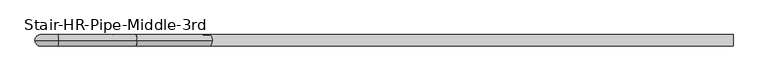
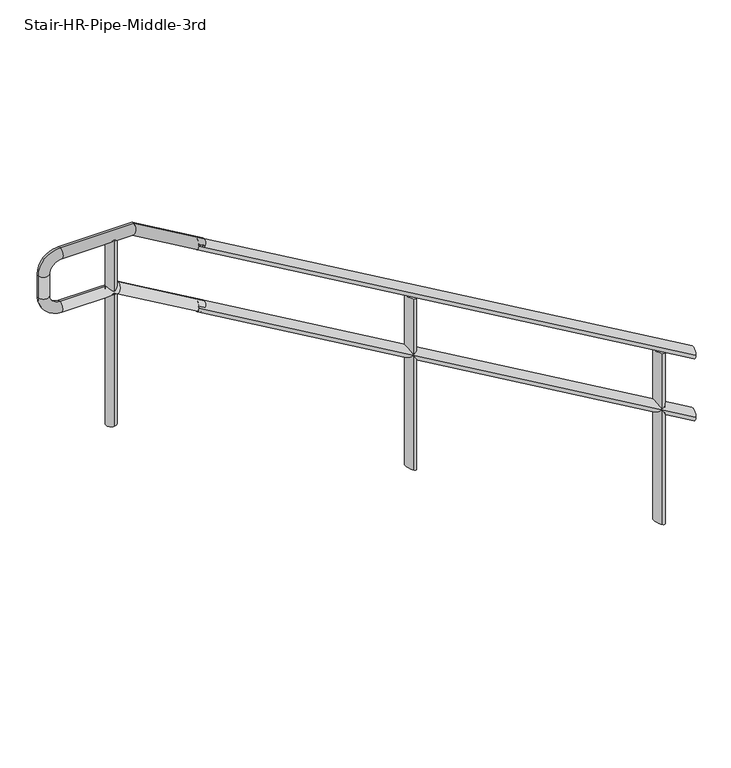
"""IFC4 building model written with IfcOpenShell, lengths in millimetres: railing geometry, Stair-HR-Pipe-Middle-3rd."""

from ifc_helpers import new_model, si_unit, point, frame, frame_2d, origin, place, context, project, spatial, circle_curve, ellipse_curve, trimmed, segment, composite_curve, outline, extrude, source, transform, mapped, element, save
from ifc_brep_helpers import plane_surface, cylinder_surface, revolved_surface, advanced_brep


def stair_hr_pipe_middle_3rd_5bcc30c3(model_context):
    return source(origin(), model_context, "Body", "SolidModel", [
        advanced_brep(
        [(22536.6873038, -27960.7186232, 3690.6659726), (22536.6873038, -28008.9389357, 3690.6659726), (20301.4873038, -27960.7186232, 4991.1459726), (20301.4873038, -28008.9389357, 4991.1459726)],
        [
            (0, 1, ellipse_curve(frame((22536.6873038, -27984.8287794, 3690.6659726), z_axis=(1.0, 0.0, 0.0), x_axis=(0.0, 0.0, -1.0)), 27.8940274, 24.1101562)),
            (1, 0, ellipse_curve(frame((22536.6873038, -27984.8287794, 3690.6659726), z_axis=(1.0, 0.0, 0.0), x_axis=(0.0, 0.0, -1.0)), 27.8940274, 24.1101562)),
            (2, 3, ellipse_curve(frame((20301.4873038, -27984.8287794, 4991.1459726), z_axis=(-1.0, 0.0, 0.0), x_axis=(0.0, 0.0, -1.0)), 27.8940274, 24.1101562)),
            (3, 2, ellipse_curve(frame((20301.4873038, -27984.8287794, 4991.1459726), z_axis=(-1.0, 0.0, 0.0), x_axis=(0.0, 0.0, -1.0)), 27.8940274, 24.1101562)),
            (0, 2),
            (3, 1),
        ],
        [
            plane_surface(frame((22536.6873038, -27984.8287794, 3718.56), z_axis=(1.0, 0.0, 0.0), x_axis=(0.0, -1.0, 0.0))),
            plane_surface(frame((20301.4873038, -27984.8287794, 5019.04), z_axis=(-1.0, 0.0, 0.0), x_axis=(0.0, -1.0, 0.0))),
            cylinder_surface(frame((22524.562461, -27984.8287794, 3697.7204265), z_axis=(0.8643483377093365, 0.0, -0.5028935783037072), x_axis=(0.0, -1.0, 0.0)), 24.1101562),
        ],
        [
            (0, [[1, 2]]),
            (1, [[3, 4]]),
            (2, [[-1, 5, -4, 6]]),
            (2, [[-2, -6, -3, -5]]),
        ],
    ),
        advanced_brep(
        [(22536.6873038, -27960.7186232, 3396.9784726), (22536.6873038, -28008.9389357, 3396.9784726), (20301.4873038, -27960.7186232, 4697.4584726), (20301.4873038, -28008.9389357, 4697.4584726)],
        [
            (0, 1, ellipse_curve(frame((22536.6873038, -27984.8287794, 3396.9784726), z_axis=(1.0, 0.0, 0.0), x_axis=(0.0, 0.0, -1.0)), 27.8940274, 24.1101562)),
            (1, 0, ellipse_curve(frame((22536.6873038, -27984.8287794, 3396.9784726), z_axis=(1.0, 0.0, 0.0), x_axis=(0.0, 0.0, -1.0)), 27.8940274, 24.1101562)),
            (2, 3, ellipse_curve(frame((20301.4873038, -27984.8287794, 4697.4584726), z_axis=(-1.0, 0.0, 0.0), x_axis=(0.0, 0.0, -1.0)), 27.8940274, 24.1101562)),
            (3, 2, ellipse_curve(frame((20301.4873038, -27984.8287794, 4697.4584726), z_axis=(-1.0, 0.0, 0.0), x_axis=(0.0, 0.0, -1.0)), 27.8940274, 24.1101562)),
            (0, 2),
            (3, 1),
        ],
        [
            plane_surface(frame((22536.6873038, -27984.8287794, 3424.8725), z_axis=(1.0, 0.0, 0.0), x_axis=(0.0, -1.0, 0.0))),
            plane_surface(frame((20301.4873038, -27984.8287794, 4725.3525), z_axis=(-1.0, 0.0, 0.0), x_axis=(0.0, -1.0, 0.0))),
            cylinder_surface(frame((22524.562461, -27984.8287794, 3404.0329265), z_axis=(0.8643483377093365, 0.0, -0.5028935783037072), x_axis=(0.0, -1.0, 0.0)), 24.1101562),
        ],
        [
            (0, [[1, 2]]),
            (1, [[3, 4]]),
            (2, [[-1, 5, -4, 6]]),
            (2, [[-2, -6, -3, -5]]),
        ],
    ),
        advanced_brep(
        [(21266.6873038, -28008.9389357, 4401.681036), (21266.6873038, -27960.7186232, 4401.681036), (21266.6873038, -27960.7186232, 3590.4062185), (21266.6873038, -28008.9389357, 3590.4062185)],
        [
            (0, 1, ellipse_curve(frame((21266.6873038, -27984.8287794, 4401.681036), z_axis=(-0.5028935783037056, 0.0, -0.8643483377093375), x_axis=(-0.8643483377093377, 0.0, 0.5028935783037053)), 27.8940274, 24.1101562)),
            (1, 2),
            (2, 3, ellipse_curve(frame((21266.6873038, -27984.8287794, 3590.4062185), z_axis=(0.5028935783037071, 0.0, 0.8643483377093365), x_axis=(-0.8643483377093364, 0.0, 0.5028935783037071)), 27.8940274, 24.1101562)),
            (3, 0),
            (3, 2, ellipse_curve(frame((21266.6873038, -27984.8287794, 3590.4062185), z_axis=(0.5028935783037071, 0.0, 0.8643483377093365), x_axis=(-0.8643483377093364, 0.0, 0.5028935783037071)), 27.8940274, 24.1101562)),
            (1, 0, ellipse_curve(frame((21266.6873038, -27984.8287794, 4401.681036), z_axis=(-0.5028935783037056, 0.0, -0.8643483377093375), x_axis=(-0.8643483377093377, 0.0, 0.5028935783037053)), 27.8940274, 24.1101562)),
        ],
        [
            cylinder_surface(frame((21266.6873038, -27984.8287794, 3361.8062185), z_axis=(0.0, 0.0, 1.0), x_axis=(0.0, 1.0, 0.0)), 24.1101562),
            plane_surface(frame((21218.4669913, -27936.6084669, 4429.7364906), z_axis=(0.5028935783037056, 0.0, 0.8643483377093375), x_axis=(0.0, -1.0, 0.0))),
            plane_surface(frame((21314.9076163, -27936.6084669, 3562.350764), z_axis=(-0.5028935783037071, 0.0, -0.8643483377093365), x_axis=(0.0, -1.0, 0.0))),
        ],
        [
            (0, [[1, 2, 3, 4]]),
            (0, [[5, -2, 6, -4]]),
            (1, [[-6, -1]]),
            (2, [[-5, -3]]),
        ],
    ),
        advanced_brep(
        [(22384.2873038, -28008.9389357, 3751.441036), (22384.2873038, -27960.7186232, 3751.441036), (22384.2873038, -27960.7186232, 2940.1662185), (22384.2873038, -28008.9389357, 2940.1662185)],
        [
            (0, 1, ellipse_curve(frame((22384.2873038, -27984.8287794, 3751.441036), z_axis=(-0.5028935783037056, 0.0, -0.8643483377093375), x_axis=(-0.8643483377093377, 0.0, 0.5028935783037053)), 27.8940274, 24.1101562)),
            (1, 2),
            (2, 3, ellipse_curve(frame((22384.2873038, -27984.8287794, 2940.1662185), z_axis=(0.5028935783037071, 0.0, 0.8643483377093365), x_axis=(-0.8643483377093364, 0.0, 0.5028935783037071)), 27.8940274, 24.1101562)),
            (3, 0),
            (3, 2, ellipse_curve(frame((22384.2873038, -27984.8287794, 2940.1662185), z_axis=(0.5028935783037071, 0.0, 0.8643483377093365), x_axis=(-0.8643483377093364, 0.0, 0.5028935783037071)), 27.8940274, 24.1101562)),
            (1, 0, ellipse_curve(frame((22384.2873038, -27984.8287794, 3751.441036), z_axis=(-0.5028935783037056, 0.0, -0.8643483377093375), x_axis=(-0.8643483377093377, 0.0, 0.5028935783037053)), 27.8940274, 24.1101562)),
        ],
        [
            cylinder_surface(frame((22384.2873038, -27984.8287794, 2711.5662185), z_axis=(0.0, 0.0, 1.0), x_axis=(0.0, 1.0, 0.0)), 24.1101562),
            plane_surface(frame((22336.0669913, -27936.6084669, 3779.4964906), z_axis=(0.5028935783037056, 0.0, 0.8643483377093375), x_axis=(0.0, -1.0, 0.0))),
            plane_surface(frame((22432.5076163, -27936.6084669, 2912.110764), z_axis=(-0.5028935783037071, 0.0, -0.8643483377093365), x_axis=(0.0, -1.0, 0.0))),
        ],
        [
            (0, [[1, 2, 3, 4]]),
            (0, [[5, -2, 6, -4]]),
            (1, [[-6, -1]]),
            (2, [[-5, -3]]),
        ],
    ),
        advanced_brep(
        [(20339.0238028, -27984.8287794, 4704.9948896), (20314.7508047, -27984.8287794, 4663.2833904), (19940.5473182, -27984.8287794, 4881.0420589), (19953.5671623, -27984.8287794, 4929.3020589), (19690.59746, -27984.8287794, 4881.0420589), (19690.59746, -27984.8287794, 4929.3020589), (19591.5573038, -27984.8287794, 4980.0822151), (19639.8173038, -27984.8287794, 4980.0822151), (19591.5573038, -27984.8287794, 5084.2619026), (19639.8173038, -27984.8287794, 5084.2619026), (19690.59746, -27984.8287794, 5183.3020589), (19690.59746, -27984.8287794, 5135.0420589), (20022.0926573, -27984.8287794, 5183.3020589), (20009.0728133, -27984.8287794, 5135.0420589), (20314.7508047, -27984.8287794, 4957.1601449), (20339.0238028, -27984.8287794, 4998.871644)],
        [
            (0, 1, circle_curve(frame((20326.8873038, -27984.8287794, 4684.13914), z_axis=(0.8643078982483469, 0.0, -0.5029630771990379), x_axis=(-0.5029630771990379, 0.0, -0.8643078982483469)), 24.13)),
            (1, 0, circle_curve(frame((20326.8873038, -27984.8287794, 4684.13914), z_axis=(0.8643078982483469, 0.0, -0.5029630771990379), x_axis=(-0.5029630771990379, 0.0, -0.8643078982483469)), 24.13)),
            (1, 2),
            (2, 3, ellipse_curve(frame((19947.0572403, -27984.8287794, 4905.1720589), z_axis=(0.965481200813445, 0.0, -0.26047274497695183), x_axis=(-0.26047274497695205, 0.0, -0.9654812008134451)), 24.9927186, 24.13)),
            (3, 0),
            (3, 2, ellipse_curve(frame((19947.0572403, -27984.8287794, 4905.1720589), z_axis=(0.965481200813445, 0.0, -0.26047274497695183), x_axis=(-0.26047274497695205, 0.0, -0.9654812008134451)), 24.9927186, 24.13)),
            (2, 4),
            (4, 5, circle_curve(frame((19690.59746, -27984.8287794, 4905.1720589), z_axis=(1.0, 0.0, 0.0), x_axis=(0.0, 0.0, -1.0)), 24.13)),
            (5, 3),
            (5, 4, circle_curve(frame((19690.59746, -27984.8287794, 4905.1720589), z_axis=(1.0, 0.0, 0.0), x_axis=(0.0, 0.0, -1.0)), 24.13)),
            (6, 7, circle_curve(frame((19615.6873038, -27984.8287794, 4980.0822151), z_axis=(0.0, 0.0, -1.0), x_axis=(-1.0, 0.0, 0.0)), 24.13)),
            (7, 5, circle_curve(frame((19690.59746, -27984.8287794, 4980.0822151), z_axis=(0.0, -1.0, 0.0), x_axis=(0.0, 0.0, -1.0)), 50.7801562)),
            (4, 6, circle_curve(frame((19690.59746, -27984.8287794, 4980.0822151), z_axis=(0.0, 1.0, 0.0), x_axis=(0.0, 0.0, -1.0)), 99.0401562)),
            (7, 6, circle_curve(frame((19615.6873038, -27984.8287794, 4980.0822151), z_axis=(0.0, 0.0, -1.0), x_axis=(-1.0, 0.0, 0.0)), 24.13)),
            (6, 8),
            (8, 9, circle_curve(frame((19615.6873038, -27984.8287794, 5084.2619026), z_axis=(0.0, 0.0, -1.0), x_axis=(-1.0, 0.0, 0.0)), 24.13)),
            (9, 7),
            (9, 8, circle_curve(frame((19615.6873038, -27984.8287794, 5084.2619026), z_axis=(0.0, 0.0, -1.0), x_axis=(-1.0, 0.0, 0.0)), 24.13)),
            (10, 11, circle_curve(frame((19690.59746, -27984.8287794, 5159.1720589), z_axis=(-1.0, 0.0, 0.0), x_axis=(0.0, 0.0, 1.0)), 24.13)),
            (11, 9, circle_curve(frame((19690.59746, -27984.8287794, 5084.2619026), z_axis=(0.0, -1.0, 0.0), x_axis=(-1.0, 0.0, 0.0)), 50.7801562)),
            (8, 10, circle_curve(frame((19690.59746, -27984.8287794, 5084.2619026), z_axis=(0.0, 1.0, 0.0), x_axis=(-1.0, 0.0, 0.0)), 99.0401562)),
            (11, 10, circle_curve(frame((19690.59746, -27984.8287794, 5159.1720589), z_axis=(-1.0, 0.0, 0.0), x_axis=(0.0, 0.0, 1.0)), 24.13)),
            (10, 12),
            (12, 13, ellipse_curve(frame((20015.5827353, -27984.8287794, 5159.1720589), z_axis=(-0.965481200813445, 0.0, 0.26047274497695205), x_axis=(-0.26047274497695183, 0.0, -0.965481200813445)), 24.9927186, 24.13)),
            (13, 11),
            (13, 12, ellipse_curve(frame((20015.5827353, -27984.8287794, 5159.1720589), z_axis=(-0.965481200813445, 0.0, 0.26047274497695205), x_axis=(-0.26047274497695183, 0.0, -0.965481200813445)), 24.9927186, 24.13)),
            (14, 15, circle_curve(frame((20326.8873038, -27984.8287794, 4978.0158945), z_axis=(0.8643078982483466, 0.0, -0.5029630771990382), x_axis=(0.5029630771990382, 0.0, 0.8643078982483466)), 24.13)),
            (15, 14, circle_curve(frame((20326.8873038, -27984.8287794, 4978.0158945), z_axis=(0.8643078982483466, 0.0, -0.5029630771990382), x_axis=(0.5029630771990382, 0.0, 0.8643078982483466)), 24.13)),
            (12, 15),
            (14, 13),
        ],
        [
            plane_surface(frame((20326.8873038, -27984.8287794, 4684.13914), z_axis=(0.8643078982483469, 0.0, -0.5029630771990379), x_axis=(0.0, 1.0, 0.0))),
            cylinder_surface(frame((20326.8873038, -27984.8287794, 4684.13914), z_axis=(0.8643078982483469, 0.0, -0.5029630771990379), x_axis=(-0.5029630771990379, 0.0, -0.8643078982483469)), 24.13),
            cylinder_surface(frame((19947.0572403, -27984.8287794, 4905.1720589), z_axis=(1.0, 0.0, 0.0), x_axis=(0.0, 0.0, -1.0)), 24.13),
            revolved_surface(trimmed(ellipse_curve(frame((19690.59746, -27984.8287794, 4905.1720589), z_axis=(-1.0, 0.0, 0.0), x_axis=(0.0, 0.0, -1.0)), 24.13, 24.13), [point((19690.59746, -27984.8287794, 4929.3020589))], [point((19690.59746, -27984.8287794, 4881.0420589))], True, "CARTESIAN"), (19690.59746, -27984.8287794, 4980.0822151), (0.0, -1.0, 0.0)),
            revolved_surface(trimmed(ellipse_curve(frame((19690.59746, -27984.8287794, 4905.1720589), z_axis=(-1.0, 0.0, 0.0), x_axis=(0.0, 0.0, -1.0)), 24.13, 24.13), [point((19690.59746, -27984.8287794, 4881.0420589))], [point((19690.59746, -27984.8287794, 4929.3020589))], True, "CARTESIAN"), (19690.59746, -27984.8287794, 4980.0822151), (0.0, -1.0, 0.0)),
            cylinder_surface(frame((19615.6873038, -27984.8287794, 4980.0822151), z_axis=(0.0, 0.0, -1.0), x_axis=(-1.0, 0.0, 0.0)), 24.13),
            revolved_surface(trimmed(ellipse_curve(frame((19615.6873038, -27984.8287794, 5084.2619026), z_axis=(0.0, 0.0, 1.0), x_axis=(-1.0, 0.0, 0.0)), 24.13, 24.13), [point((19639.8173038, -27984.8287794, 5084.2619026))], [point((19591.5573038, -27984.8287794, 5084.2619026))], True, "CARTESIAN"), (19690.59746, -27984.8287794, 5084.2619026), (0.0, -1.0, 0.0)),
            revolved_surface(trimmed(ellipse_curve(frame((19615.6873038, -27984.8287794, 5084.2619026), z_axis=(0.0, 0.0, 1.0), x_axis=(-1.0, 0.0, 0.0)), 24.13, 24.13), [point((19591.5573038, -27984.8287794, 5084.2619026))], [point((19639.8173038, -27984.8287794, 5084.2619026))], True, "CARTESIAN"), (19690.59746, -27984.8287794, 5084.2619026), (0.0, -1.0, 0.0)),
            cylinder_surface(frame((19690.59746, -27984.8287794, 5159.1720589), z_axis=(-1.0, 0.0, 0.0), x_axis=(0.0, 0.0, 1.0)), 24.13),
            plane_surface(frame((20326.8873038, -27984.8287794, 4978.0158945), z_axis=(0.8643078982483469, 0.0, -0.5029630771990381), x_axis=(0.0, 1.0, 0.0))),
            cylinder_surface(frame((20015.5827353, -27984.8287794, 5159.1720589), z_axis=(-0.8643078982483466, 0.0, 0.5029630771990382), x_axis=(0.5029630771990382, 0.0, 0.8643078982483466)), 24.13),
        ],
        [
            (0, [[1, 2]]),
            (1, [[3, 4, 5, -2]]),
            (1, [[-5, 6, -3, -1]]),
            (2, [[7, 8, 9, -4]]),
            (2, [[-9, 10, -7, -6]]),
            (3, [[11, 12, -8, 13]]),
            (4, [[14, -13, -10, -12]]),
            (5, [[15, 16, 17, -11]]),
            (5, [[-17, 18, -15, -14]]),
            (6, [[19, 20, -16, 21]]),
            (7, [[22, -21, -18, -20]]),
            (8, [[23, 24, 25, -19]]),
            (8, [[-25, 26, -23, -22]]),
            (9, [[27, 28]]),
            (10, [[29, -27, 30, -24]]),
            (10, [[-30, -28, -29, -26]]),
        ],
    ),
        extrude(outline(composite_curve([segment(trimmed(circle_curve(frame_2d((19920.4873038, -27984.8287794)), 24.13), [point((19920.4873038, -28008.9587794))], [point((19920.4873038, -27960.6987794))], False, "CARTESIAN"), True, "CONTINUOUS"), segment(trimmed(circle_curve(frame_2d((19920.4873038, -27984.8287794)), 24.13), [point((19920.4873038, -27960.6987794))], [point((19920.4873038, -28008.9587794))], False, "CARTESIAN"), True, "CONTINUOUS")], self_intersect=False)), frame((0.0, 0.0, 4268.8822151), z_axis=(0.0, 0.0, 1.0), x_axis=(1.0, 0.0, 0.0)), (0.0, 0.0, 1.0), 890.2898467),
    ])


if __name__ == "__main__":
    model = new_model("IFC4")
    model_context = context("Model", 3, world=origin())
    ifc_project = project(units=[si_unit("LENGTHUNIT", "METRE", prefix="MILLI")], contexts=[model_context])
    site = spatial("IfcSite", under=ifc_project)
    building = spatial("IfcBuilding", under=site)
    placement = place(None, origin())
    stair_hr_pipe_middle_3rd_shape = stair_hr_pipe_middle_3rd_5bcc30c3(model_context)
    element("IfcRailing", 1, ObjectType="Stair-HR-Pipe-Middle-3rd", at=placement, inside=building, context=model_context, shape_type="MappedRepresentation", body=[
        mapped(stair_hr_pipe_middle_3rd_shape, transform((0.0, 0.0, 0.0), x_axis=(1.0, 0.0, 0.0), y_axis=(0.0, 1.0, 0.0), z_axis=(0.0, 0.0, 1.0))),
    ])
    save(model, "model.ifc")
